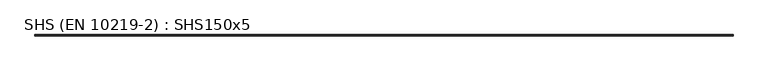
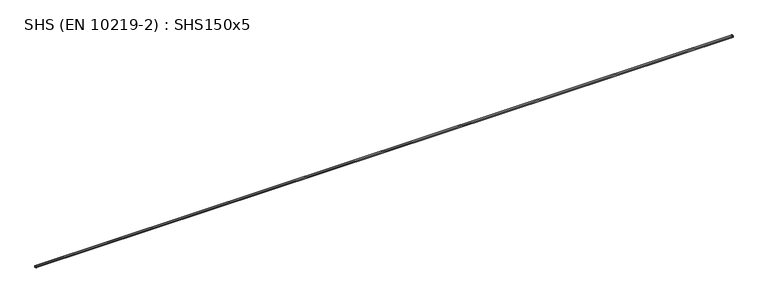
"""IFC4 building model written with IfcOpenShell, lengths in millimetres: beam geometry, SHS (EN 10219-2) : SHS150x5."""

from ifc_helpers import new_model, si_unit, point, frame, frame_2d, origin, place, context, project, spatial, polyline, circle_curve, trimmed, segment, composite_curve, outline, extrude, source, transform, mapped, element, save


def shs_en_10219_2_shs150x5_8759917d(model_context):
    return source(origin(), model_context, "Body", "SweptSolid", [
        extrude(outline(composite_curve([segment(polyline([(75.0, 65.0), (75.0, -65.0)]), True, "CONTINUOUS"), segment(trimmed(circle_curve(frame_2d((65.0, -65.0)), 10.0), [point((75.0, -65.0))], [point((65.0, -75.0))], False, "CARTESIAN"), True, "CONTINUOUS"), segment(polyline([(65.0, -75.0), (-65.0, -75.0)]), True, "CONTINUOUS"), segment(trimmed(circle_curve(frame_2d((-65.0, -65.0)), 10.0), [point((-65.0, -75.0))], [point((-75.0, -65.0))], False, "CARTESIAN"), True, "CONTINUOUS"), segment(polyline([(-75.0, -65.0), (-75.0, 65.0)]), True, "CONTINUOUS"), segment(trimmed(circle_curve(frame_2d((-65.0, 65.0)), 10.0), [point((-75.0, 65.0))], [point((-65.0, 75.0))], False, "CARTESIAN"), True, "CONTINUOUS"), segment(polyline([(-65.0, 75.0), (65.0, 75.0)]), True, "CONTINUOUS"), segment(trimmed(circle_curve(frame_2d((65.0, 65.0)), 10.0), [point((65.0, 75.0))], [point((75.0, 65.0))], False, "CARTESIAN"), True, "CONTINUOUS")], self_intersect=False), holes=[composite_curve([segment(trimmed(circle_curve(frame_2d((-65.0, 65.0)), 5.0), [point((-65.0, 70.0))], [point((-70.0, 65.0))], True, "CARTESIAN"), True, "CONTINUOUS"), segment(polyline([(-70.0, 65.0), (-70.0, -65.0)]), True, "CONTINUOUS"), segment(trimmed(circle_curve(frame_2d((-65.0, -65.0)), 5.0), [point((-70.0, -65.0))], [point((-65.0, -70.0))], True, "CARTESIAN"), True, "CONTINUOUS"), segment(polyline([(-65.0, -70.0), (65.0, -70.0)]), True, "CONTINUOUS"), segment(trimmed(circle_curve(frame_2d((65.0, -65.0)), 5.0), [point((65.0, -70.0))], [point((70.0, -65.0))], True, "CARTESIAN"), True, "CONTINUOUS"), segment(polyline([(70.0, -65.0), (70.0, 65.0)]), True, "CONTINUOUS"), segment(trimmed(circle_curve(frame_2d((65.0, 65.0)), 5.0), [point((70.0, 65.0))], [point((65.0, 70.0))], True, "CARTESIAN"), True, "CONTINUOUS"), segment(polyline([(65.0, 70.0), (-65.0, 70.0)]), True, "CONTINUOUS")], self_intersect=False)]), frame((-36100.0, 0.0, 0.0), z_axis=(1.0, 0.0, 0.0), x_axis=(0.0, 1.0, 0.0)), (0.0, 0.0, 1.0), 72200.0),
    ])


if __name__ == "__main__":
    model = new_model("IFC4")
    model_context = context("Model", 3, world=origin())
    ifc_project = project(units=[si_unit("LENGTHUNIT", "METRE", prefix="MILLI")], contexts=[model_context])
    site = spatial("IfcSite", under=ifc_project)
    building = spatial("IfcBuilding", under=site)
    placement = place(None, origin())
    shs_en_10219_2_shs150x5_shape = shs_en_10219_2_shs150x5_8759917d(model_context)
    element("IfcBeam", 1, ObjectType="SHS (EN 10219-2) : SHS150x5", at=placement, inside=building, context=model_context, shape_type="MappedRepresentation", body=[
        mapped(shs_en_10219_2_shs150x5_shape, transform((0.0, 0.0, 0.0), x_axis=(1.0, 0.0, 0.0), y_axis=(0.0, 1.0, 0.0), z_axis=(0.0, 0.0, 1.0))),
    ])
    save(model, "model.ifc")
